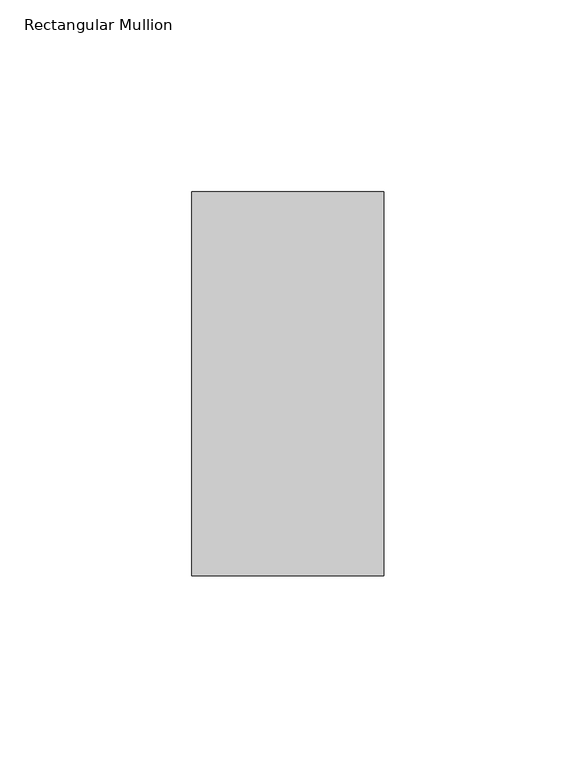
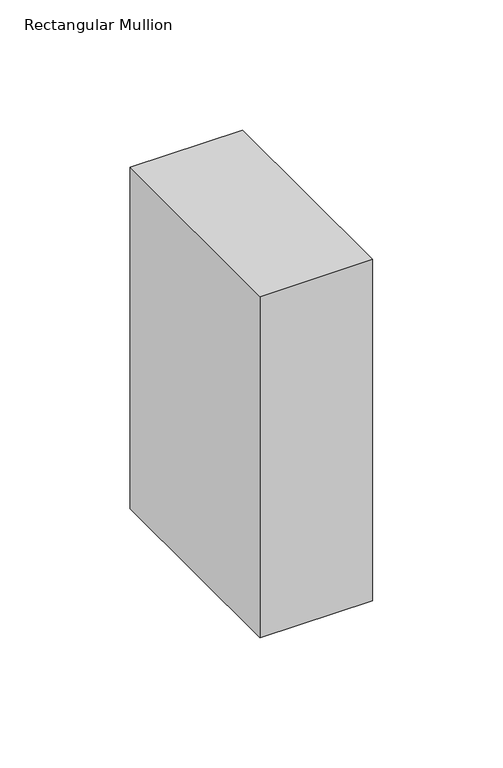
"""IFC4 building model written with IfcOpenShell, lengths in millimetres: member geometry, Rectangular Mullion."""

from ifc_helpers import new_model, si_unit, frame, origin, place, context, project, spatial, polyline, outline, extrude, source, transform, mapped, element, save


def rectangular_mullion_ae4fd90e(model_context):
    return source(origin(), model_context, "Body", "SweptSolid", [
        extrude(outline(polyline([(25.0, 31.0), (25.0, -69.0), (-25.0, -69.0), (-25.0, 31.0), (25.0, 31.0)])), frame((0.0, 0.0, -160.0), z_axis=(0.0, 0.0, 1.0), x_axis=(1.0, 0.0, 0.0)), (0.0, 0.0, 1.0), 160.0),
    ])


if __name__ == "__main__":
    model = new_model("IFC4")
    model_context = context("Model", 3, world=origin())
    ifc_project = project(units=[si_unit("LENGTHUNIT", "METRE", prefix="MILLI")], contexts=[model_context])
    site = spatial("IfcSite", under=ifc_project)
    building = spatial("IfcBuilding", under=site)
    placement = place(None, origin())
    rectangular_mullion_shape = rectangular_mullion_ae4fd90e(model_context)
    element("IfcMember", 1, ObjectType="Rectangular Mullion", at=placement, inside=building, context=model_context, shape_type="MappedRepresentation", body=[
        mapped(rectangular_mullion_shape, transform((0.0, 0.0, 0.0), x_axis=(1.0, 0.0, 0.0), y_axis=(0.0, 1.0, 0.0), z_axis=(0.0, 0.0, 1.0))),
    ])
    save(model, "model.ifc")
